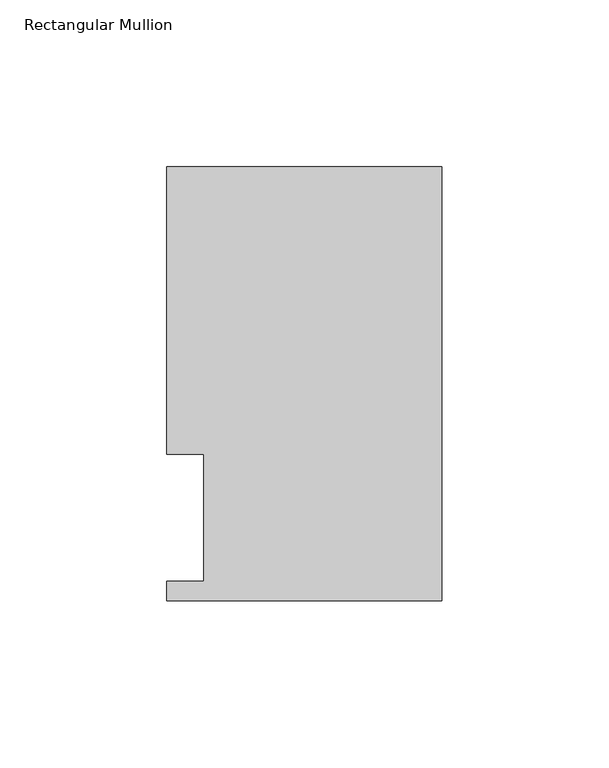
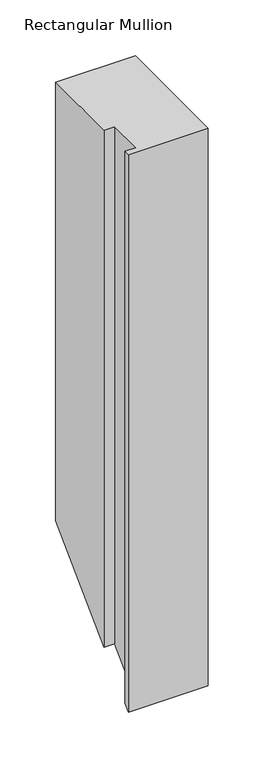
"""IFC4 building model written with IfcOpenShell, lengths in millimetres: member geometry, Rectangular Mullion."""

import ifcopenshell
import ifcopenshell.guid

model = None  # the IFC model being written
_history = None  # IfcOwnerHistory: only IFC2X3 demands one
_inside = {}  # id of a spatial element -> (the spatial element, [elements in it])
_under = {}  # id of a project, library or spatial element -> (it, [spatial elements below it])
_declared = {}  # id of a project -> (the project, [libraries it declares])
_typed = {}  # id of a type object -> (the type object, [elements of that type])
_made_of = {}  # id of a material, layer set ... -> (it, [elements and type objects made of it])


def new_model(schema):
    """Start an empty IFC model of exactly this schema.

    Asked for "IFC4X3", IfcOpenShell would pick the latest addendum, in which some entities
    have other attributes; the version numbers below select the first issue.
    IFC2X3 requires an IfcOwnerHistory on every rooted entity: one is made here for all.
    """
    global model, _history
    if schema == "IFC4X3":
        model = ifcopenshell.file(schema_version=(4, 3, 0, 0))
    else:
        model = ifcopenshell.file(schema=schema)
    _inside.clear()
    _under.clear()
    _declared.clear()
    _typed.clear()
    _made_of.clear()
    _history = None
    if model.schema == "IFC2X3":
        org = make("IfcOrganization", Name="unknown")
        user = make(
            "IfcPersonAndOrganization",
            ThePerson=make("IfcPerson", FamilyName="unknown"),
            TheOrganization=org,
        )
        app = make(
            "IfcApplication",
            ApplicationDeveloper=org,
            Version="unknown",
            ApplicationFullName="unknown",
            ApplicationIdentifier="unknown",
        )
        _history = make(
            "IfcOwnerHistory",
            OwningUser=user,
            OwningApplication=app,
            ChangeAction="ADDED",
            CreationDate=0,
        )
    return model


def make(cls, **values):
    """One entity of the class cls with the attributes given. An attribute that is None is left unset."""
    return model.create_entity(
        cls, **{name: value for name, value in values.items() if value is not None}
    )


def rooted(cls, **values):
    """An entity with a GlobalId (a new one), such as an element, a storey or a relation."""
    return make(cls, GlobalId=ifcopenshell.guid.new(), OwnerHistory=_history, **values)


def si_unit(unit_type, name, prefix=None):
    """IfcSIUnit, for example si_unit("LENGTHUNIT", "METRE", prefix="MILLI")."""
    return make("IfcSIUnit", UnitType=unit_type, Prefix=prefix, Name=name)


def assignment(units):
    """IfcUnitAssignment: the units of a project."""
    return None if units is None else make("IfcUnitAssignment", Units=units)


def point(xyz):
    """IfcCartesianPoint."""
    return None if xyz is None else make("IfcCartesianPoint", Coordinates=xyz)


def direction(xyz):
    """IfcDirection."""
    return None if xyz is None else make("IfcDirection", DirectionRatios=xyz)


def frame(location, z_axis=None, x_axis=None):
    """IfcAxis2Placement3D, a coordinate frame: its origin and axes. An axis left out is left unset."""
    return make(
        "IfcAxis2Placement3D",
        Location=point(location),
        Axis=direction(z_axis),
        RefDirection=direction(x_axis),
    )


def origin():
    """The frame at (0, 0, 0) with its axes left unset."""
    return frame((0.0, 0.0, 0.0))


def place(relative_to, where):
    """IfcLocalPlacement: puts the frame where relative to a parent placement (None: the world)."""
    return make(
        "IfcLocalPlacement", PlacementRelTo=relative_to, RelativePlacement=where
    )


def context(
    kind, dimensions, precision=None, world=None, true_north=None, identifier=None
):
    """IfcGeometricRepresentationContext, for example the 3D "Model" context."""
    return make(
        "IfcGeometricRepresentationContext",
        ContextIdentifier=identifier,
        ContextType=kind,
        CoordinateSpaceDimension=dimensions,
        Precision=precision,
        WorldCoordinateSystem=world,
        TrueNorth=true_north,
    )


def project(units=None, contexts=None):
    """IfcProject with its units and contexts."""
    return rooted(
        "IfcProject",
        Name="project",
        RepresentationContexts=contexts,
        UnitsInContext=assignment(units),
    )


def spatial(cls, under=None, at=None, **own):
    """A site, building, storey or space (cls), placed at a placement, below another one or the project."""
    s = rooted(cls, ObjectPlacement=at, **own)
    if under is not None:
        _under.setdefault(under.id(), (under, []))[1].append(s)
    return s


def faces_of(points, faces, orient=None, outer=None):
    """IfcFace entities. A face is a list of loops; a loop is a list of indices into points, from 0.

    orient and outer hold one flag for each loop. By default every Orientation is true, the
    first loop of a face is its IfcFaceOuterBound and the others are IfcFaceBound.
    """
    made = []
    for i, loops in enumerate(faces):
        bounds = []
        for j, loop in enumerate(loops):
            is_outer = j == 0 if outer is None else outer[i][j]
            bounds.append(
                make(
                    "IfcFaceOuterBound" if is_outer else "IfcFaceBound",
                    Bound=make("IfcPolyLoop", Polygon=[points[k] for k in loop]),
                    Orientation=True if orient is None else orient[i][j],
                )
            )
        made.append(make("IfcFace", Bounds=bounds))
    return made


def faceted_brep(points, faces, orient=None, outer=None, voids=None):
    """IfcFacetedBrep: a solid bounded by flat faces; with voids (closed shells), ...WithVoids."""
    shared = [point(p) for p in points]
    hull = make("IfcClosedShell", CfsFaces=faces_of(shared, faces, orient, outer))
    if voids is None:
        return make("IfcFacetedBrep", Outer=hull)
    return make(
        "IfcFacetedBrepWithVoids",
        Outer=hull,
        Voids=[
            make(cls, CfsFaces=faces_of(shared, fs, o, b)) for cls, fs, o, b in voids
        ],
    )


def shape(context_of_items, identifier, shape_type, items):
    """IfcShapeRepresentation: the items that make up one representation, for example the "Body"."""
    return make(
        "IfcShapeRepresentation",
        ContextOfItems=context_of_items,
        RepresentationIdentifier=identifier,
        RepresentationType=shape_type,
        Items=items,
    )


def source(mapping_origin, context_of_items, identifier, shape_type, items):
    """IfcRepresentationMap: a shape defined once, which mapped items show again and again."""
    return make(
        "IfcRepresentationMap",
        MappingOrigin=mapping_origin,
        MappedRepresentation=shape(context_of_items, identifier, shape_type, items),
    )


def transform(
    local_origin,
    x_axis=None,
    y_axis=None,
    z_axis=None,
    scale=None,
    scale2=None,
    scale3=None,
    uniform=True,
):
    """IfcCartesianTransformationOperator3D, or its non-uniform kind. x_axis, y_axis, z_axis: its Axis1, 2, 3."""
    if uniform:
        return make(
            "IfcCartesianTransformationOperator3D",
            Axis1=direction(x_axis),
            Axis2=direction(y_axis),
            LocalOrigin=point(local_origin),
            Scale=scale,
            Axis3=direction(z_axis),
        )
    return make(
        "IfcCartesianTransformationOperator3DnonUniform",
        Axis1=direction(x_axis),
        Axis2=direction(y_axis),
        LocalOrigin=point(local_origin),
        Scale=scale,
        Axis3=direction(z_axis),
        Scale2=scale2,
        Scale3=scale3,
    )


def mapped(mapping_source, mapping_target):
    """IfcMappedItem: shows the shape of a source again, moved by a transform."""
    return make(
        "IfcMappedItem", MappingSource=mapping_source, MappingTarget=mapping_target
    )


def made_of(thing, what):
    """Note that an element or type object is made of a material, layer set ...; save() writes the relation."""
    if what is not None:
        _made_of.setdefault(what.id(), (what, []))[1].append(thing)
    return thing


def element(
    cls,
    number,
    at=None,
    inside=None,
    cuts=None,
    type_object=None,
    material=None,
    context=None,
    identifier="Body",
    shape_type=None,
    held_by="IfcProductDefinitionShape",
    body=None,
    shapes=None,
    **own,
):
    """One element of the class cls, such as IfcWall. Its Tag is "e" and its number.

    at: its placement. inside: the storey or other place that contains it. cuts: it is an
    opening in that element (IfcRelVoidsElement). A single representation is given by context,
    identifier, shape_type and body (its items); several are given by shapes. held_by: the class
    of the entity that holds the representations. save() writes the other relations.
    """
    e = rooted(cls, Tag="e%d" % number, ObjectPlacement=at, **own)
    if body is not None:
        shapes = [shape(context, identifier, shape_type, body)]
    if shapes is not None:
        e.Representation = make(held_by, Representations=shapes)
    if inside is not None:
        _inside.setdefault(inside.id(), (inside, []))[1].append(e)
    if cuts is not None:
        rooted(
            "IfcRelVoidsElement", RelatingBuildingElement=cuts, RelatedOpeningElement=e
        )
    if type_object is not None:
        _typed.setdefault(type_object.id(), (type_object, []))[1].append(e)
    return made_of(e, material)


def aggregate(whole, parts):
    """IfcRelAggregates: a whole, such as a stair, and the parts it consists of."""
    return rooted("IfcRelAggregates", RelatingObject=whole, RelatedObjects=parts)


def save(model, path):
    """Write the relations noted so far, then the file.

    IfcRelAggregates (storeys below a building ...), IfcRelContainedInSpatialStructure (elements
    in a storey), IfcRelDefinesByType, IfcRelAssociatesMaterial and IfcRelDeclares: one each for
    every whole, place, type object, material and project.
    """
    for whole, parts in _under.values():
        aggregate(whole, parts)
    for where, things in _inside.values():
        rooted(
            "IfcRelContainedInSpatialStructure",
            RelatedElements=things,
            RelatingStructure=where,
        )
    for kind, things in _typed.values():
        rooted("IfcRelDefinesByType", RelatedObjects=things, RelatingType=kind)
    for what, things in _made_of.values():
        rooted("IfcRelAssociatesMaterial", RelatedObjects=things, RelatingMaterial=what)
    for by, libraries in _declared.values():
        rooted("IfcRelDeclares", RelatingContext=by, RelatedDefinitions=libraries)
    model.write(path)


def rectangular_mullion_69d10ae9(model_context):
    return source(origin(), model_context, "Body", "Brep", [
        faceted_brep([(-82.5504364, 130.6321003, 0.0), (-82.5504364, 44.45, 0.0), (-71.4454383, 44.45, 0.0), (-71.4454383, 6.3499003, 0.0), (-82.55, 6.3499003, 0.0), (-82.55, 0.4063003, 0.0), (0.0, 0.4063003, 0.0), (0.0, 130.6321003, 0.0), (-82.5504364, 130.6321003, -478.9678997), (-82.5504364, 44.45, -565.15), (-71.4454383, 44.45, -565.15), (-71.4454383, 6.3499003, -603.2500997), (-82.55, 6.3499003, -603.2500997), (-82.55, 0.4063003, -609.1936997), (0.0, 0.4063003, -609.1936997), (0.0, 130.6321003, -478.9678997)], [[[0, 1, 2, 3, 4, 5, 6, 7]], [[1, 0, 8, 9]], [[2, 1, 9, 10]], [[3, 2, 10, 11]], [[4, 3, 11, 12]], [[5, 4, 12, 13]], [[6, 5, 13, 14]], [[7, 6, 14, 15]], [[0, 7, 15, 8]], [[8, 15, 14, 13, 12, 11, 10, 9]]]),
    ])


if __name__ == "__main__":
    model = new_model("IFC4")
    model_context = context("Model", 3, world=origin())
    ifc_project = project(units=[si_unit("LENGTHUNIT", "METRE", prefix="MILLI")], contexts=[model_context])
    site = spatial("IfcSite", under=ifc_project)
    building = spatial("IfcBuilding", under=site)
    placement = place(None, origin())
    rectangular_mullion_shape = rectangular_mullion_69d10ae9(model_context)
    element("IfcMember", 1, ObjectType="Rectangular Mullion", at=placement, inside=building, context=model_context, shape_type="MappedRepresentation", body=[
        mapped(rectangular_mullion_shape, transform((0.0, 0.0, 0.0), x_axis=(1.0, 0.0, 0.0), y_axis=(0.0, 1.0, 0.0), z_axis=(0.0, 0.0, 1.0))),
    ])
    save(model, "model.ifc")
